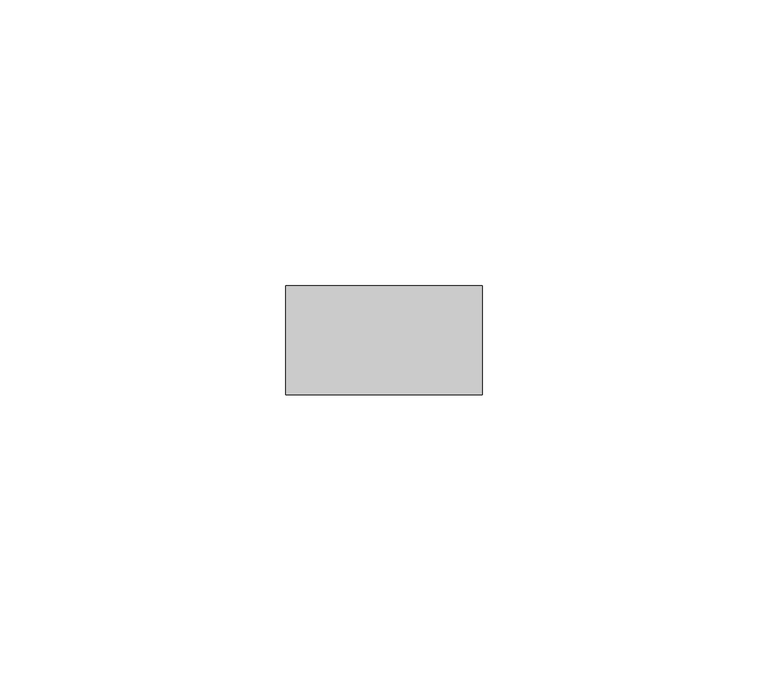
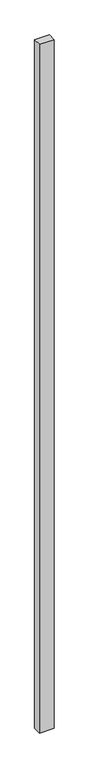
"""IFC4 building model written with IfcOpenShell, lengths in millimetres: plate geometry."""

from ifc_helpers import new_model, si_unit, origin, origin_with_axes, place, context, project, spatial, polyline, outline, extrude, source, transform, mapped, element, save


def plate_b5604420(model_context):
    return source(origin(), model_context, "Body", "SweptSolid", [
        extrude(outline(polyline([(17.1340206, -9.525), (-17.1340206, -9.525), (-17.1340206, 9.525), (17.1340206, 9.525), (17.1340206, -9.525)])), origin_with_axes(), (0.0, 0.0, 1.0), 1708.8912252),
    ])


if __name__ == "__main__":
    model = new_model("IFC4")
    model_context = context("Model", 3, world=origin())
    ifc_project = project(units=[si_unit("LENGTHUNIT", "METRE", prefix="MILLI")], contexts=[model_context])
    site = spatial("IfcSite", under=ifc_project)
    building = spatial("IfcBuilding", under=site)
    placement = place(None, origin())
    plate_shape = plate_b5604420(model_context)
    element("IfcPlate", 1, at=placement, inside=building, context=model_context, shape_type="MappedRepresentation", body=[
        mapped(plate_shape, transform((0.0, 0.0, 0.0), x_axis=(1.0, 0.0, 0.0), y_axis=(0.0, 1.0, 0.0), z_axis=(0.0, 0.0, 1.0))),
    ])
    save(model, "model.ifc")
